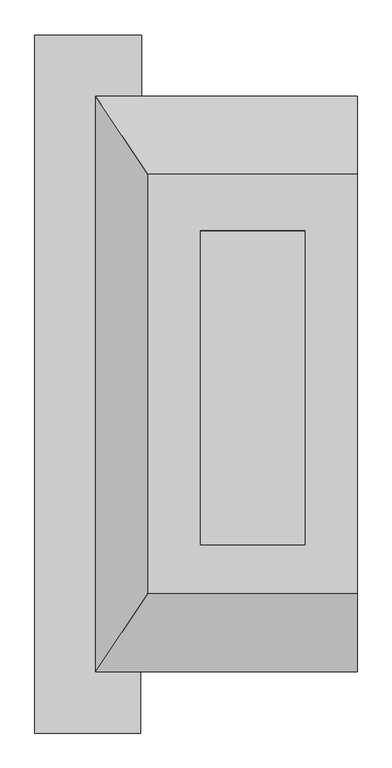
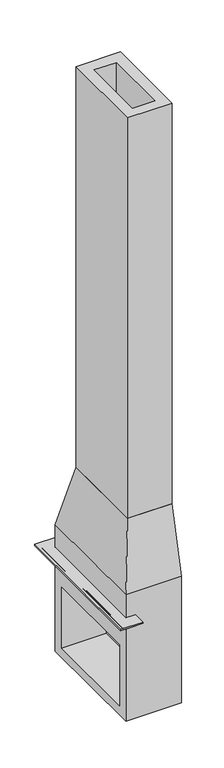
"""IFC4 building model written with IfcOpenShell, lengths in millimetres: proxy geometry."""

import ifcopenshell
import ifcopenshell.guid

model = None  # the IFC model being written
_history = None  # IfcOwnerHistory: only IFC2X3 demands one
_inside = {}  # id of a spatial element -> (the spatial element, [elements in it])
_under = {}  # id of a project, library or spatial element -> (it, [spatial elements below it])
_declared = {}  # id of a project -> (the project, [libraries it declares])
_typed = {}  # id of a type object -> (the type object, [elements of that type])
_made_of = {}  # id of a material, layer set ... -> (it, [elements and type objects made of it])


def new_model(schema):
    """Start an empty IFC model of exactly this schema.

    Asked for "IFC4X3", IfcOpenShell would pick the latest addendum, in which some entities
    have other attributes; the version numbers below select the first issue.
    IFC2X3 requires an IfcOwnerHistory on every rooted entity: one is made here for all.
    """
    global model, _history
    if schema == "IFC4X3":
        model = ifcopenshell.file(schema_version=(4, 3, 0, 0))
    else:
        model = ifcopenshell.file(schema=schema)
    _inside.clear()
    _under.clear()
    _declared.clear()
    _typed.clear()
    _made_of.clear()
    _history = None
    if model.schema == "IFC2X3":
        org = make("IfcOrganization", Name="unknown")
        user = make(
            "IfcPersonAndOrganization",
            ThePerson=make("IfcPerson", FamilyName="unknown"),
            TheOrganization=org,
        )
        app = make(
            "IfcApplication",
            ApplicationDeveloper=org,
            Version="unknown",
            ApplicationFullName="unknown",
            ApplicationIdentifier="unknown",
        )
        _history = make(
            "IfcOwnerHistory",
            OwningUser=user,
            OwningApplication=app,
            ChangeAction="ADDED",
            CreationDate=0,
        )
    return model


def make(cls, **values):
    """One entity of the class cls with the attributes given. An attribute that is None is left unset."""
    return model.create_entity(
        cls, **{name: value for name, value in values.items() if value is not None}
    )


def rooted(cls, **values):
    """An entity with a GlobalId (a new one), such as an element, a storey or a relation."""
    return make(cls, GlobalId=ifcopenshell.guid.new(), OwnerHistory=_history, **values)


def si_unit(unit_type, name, prefix=None):
    """IfcSIUnit, for example si_unit("LENGTHUNIT", "METRE", prefix="MILLI")."""
    return make("IfcSIUnit", UnitType=unit_type, Prefix=prefix, Name=name)


def assignment(units):
    """IfcUnitAssignment: the units of a project."""
    return None if units is None else make("IfcUnitAssignment", Units=units)


def point(xyz):
    """IfcCartesianPoint."""
    return None if xyz is None else make("IfcCartesianPoint", Coordinates=xyz)


def direction(xyz):
    """IfcDirection."""
    return None if xyz is None else make("IfcDirection", DirectionRatios=xyz)


def frame(location, z_axis=None, x_axis=None):
    """IfcAxis2Placement3D, a coordinate frame: its origin and axes. An axis left out is left unset."""
    return make(
        "IfcAxis2Placement3D",
        Location=point(location),
        Axis=direction(z_axis),
        RefDirection=direction(x_axis),
    )


def origin():
    """The frame at (0, 0, 0) with its axes left unset."""
    return frame((0.0, 0.0, 0.0))


def place(relative_to, where):
    """IfcLocalPlacement: puts the frame where relative to a parent placement (None: the world)."""
    return make(
        "IfcLocalPlacement", PlacementRelTo=relative_to, RelativePlacement=where
    )


def context(
    kind, dimensions, precision=None, world=None, true_north=None, identifier=None
):
    """IfcGeometricRepresentationContext, for example the 3D "Model" context."""
    return make(
        "IfcGeometricRepresentationContext",
        ContextIdentifier=identifier,
        ContextType=kind,
        CoordinateSpaceDimension=dimensions,
        Precision=precision,
        WorldCoordinateSystem=world,
        TrueNorth=true_north,
    )


def project(units=None, contexts=None):
    """IfcProject with its units and contexts."""
    return rooted(
        "IfcProject",
        Name="project",
        RepresentationContexts=contexts,
        UnitsInContext=assignment(units),
    )


def spatial(cls, under=None, at=None, **own):
    """A site, building, storey or space (cls), placed at a placement, below another one or the project."""
    s = rooted(cls, ObjectPlacement=at, **own)
    if under is not None:
        _under.setdefault(under.id(), (under, []))[1].append(s)
    return s


def polyline(points):
    """IfcPolyline through the points."""
    return make("IfcPolyline", Points=[point(p) for p in points])


def circle_curve(where, radius):
    """IfcCircle in the frame where."""
    return make("IfcCircle", Position=where, Radius=radius)


def ellipse_curve(where, semi_axis1, semi_axis2):
    """IfcEllipse in the frame where."""
    return make(
        "IfcEllipse", Position=where, SemiAxis1=semi_axis1, SemiAxis2=semi_axis2
    )


def outline(outer, holes=None, kind="AREA"):
    """IfcArbitraryClosedProfileDef: a profile drawn as a closed curve; with holes, ...WithVoids."""
    if holes is None:
        return make("IfcArbitraryClosedProfileDef", ProfileType=kind, OuterCurve=outer)
    return make(
        "IfcArbitraryProfileDefWithVoids",
        ProfileType=kind,
        OuterCurve=outer,
        InnerCurves=holes,
    )


def extrude(swept, where, along, depth):
    """IfcExtrudedAreaSolid: the profile swept, set in the frame where, extruded along a direction by depth."""
    return make(
        "IfcExtrudedAreaSolid",
        SweptArea=swept,
        Position=where,
        ExtrudedDirection=direction(along),
        Depth=depth,
    )


def faces_of(points, faces, orient=None, outer=None):
    """IfcFace entities. A face is a list of loops; a loop is a list of indices into points, from 0.

    orient and outer hold one flag for each loop. By default every Orientation is true, the
    first loop of a face is its IfcFaceOuterBound and the others are IfcFaceBound.
    """
    made = []
    for i, loops in enumerate(faces):
        bounds = []
        for j, loop in enumerate(loops):
            is_outer = j == 0 if outer is None else outer[i][j]
            bounds.append(
                make(
                    "IfcFaceOuterBound" if is_outer else "IfcFaceBound",
                    Bound=make("IfcPolyLoop", Polygon=[points[k] for k in loop]),
                    Orientation=True if orient is None else orient[i][j],
                )
            )
        made.append(make("IfcFace", Bounds=bounds))
    return made


def faceted_brep(points, faces, orient=None, outer=None, voids=None):
    """IfcFacetedBrep: a solid bounded by flat faces; with voids (closed shells), ...WithVoids."""
    shared = [point(p) for p in points]
    hull = make("IfcClosedShell", CfsFaces=faces_of(shared, faces, orient, outer))
    if voids is None:
        return make("IfcFacetedBrep", Outer=hull)
    return make(
        "IfcFacetedBrepWithVoids",
        Outer=hull,
        Voids=[
            make(cls, CfsFaces=faces_of(shared, fs, o, b)) for cls, fs, o, b in voids
        ],
    )


def shape(context_of_items, identifier, shape_type, items):
    """IfcShapeRepresentation: the items that make up one representation, for example the "Body"."""
    return make(
        "IfcShapeRepresentation",
        ContextOfItems=context_of_items,
        RepresentationIdentifier=identifier,
        RepresentationType=shape_type,
        Items=items,
    )


def source(mapping_origin, context_of_items, identifier, shape_type, items):
    """IfcRepresentationMap: a shape defined once, which mapped items show again and again."""
    return make(
        "IfcRepresentationMap",
        MappingOrigin=mapping_origin,
        MappedRepresentation=shape(context_of_items, identifier, shape_type, items),
    )


def transform(
    local_origin,
    x_axis=None,
    y_axis=None,
    z_axis=None,
    scale=None,
    scale2=None,
    scale3=None,
    uniform=True,
):
    """IfcCartesianTransformationOperator3D, or its non-uniform kind. x_axis, y_axis, z_axis: its Axis1, 2, 3."""
    if uniform:
        return make(
            "IfcCartesianTransformationOperator3D",
            Axis1=direction(x_axis),
            Axis2=direction(y_axis),
            LocalOrigin=point(local_origin),
            Scale=scale,
            Axis3=direction(z_axis),
        )
    return make(
        "IfcCartesianTransformationOperator3DnonUniform",
        Axis1=direction(x_axis),
        Axis2=direction(y_axis),
        LocalOrigin=point(local_origin),
        Scale=scale,
        Axis3=direction(z_axis),
        Scale2=scale2,
        Scale3=scale3,
    )


def mapped(mapping_source, mapping_target):
    """IfcMappedItem: shows the shape of a source again, moved by a transform."""
    return make(
        "IfcMappedItem", MappingSource=mapping_source, MappingTarget=mapping_target
    )


def made_of(thing, what):
    """Note that an element or type object is made of a material, layer set ...; save() writes the relation."""
    if what is not None:
        _made_of.setdefault(what.id(), (what, []))[1].append(thing)
    return thing


def element(
    cls,
    number,
    at=None,
    inside=None,
    cuts=None,
    type_object=None,
    material=None,
    context=None,
    identifier="Body",
    shape_type=None,
    held_by="IfcProductDefinitionShape",
    body=None,
    shapes=None,
    **own,
):
    """One element of the class cls, such as IfcWall. Its Tag is "e" and its number.

    at: its placement. inside: the storey or other place that contains it. cuts: it is an
    opening in that element (IfcRelVoidsElement). A single representation is given by context,
    identifier, shape_type and body (its items); several are given by shapes. held_by: the class
    of the entity that holds the representations. save() writes the other relations.
    """
    e = rooted(cls, Tag="e%d" % number, ObjectPlacement=at, **own)
    if body is not None:
        shapes = [shape(context, identifier, shape_type, body)]
    if shapes is not None:
        e.Representation = make(held_by, Representations=shapes)
    if inside is not None:
        _inside.setdefault(inside.id(), (inside, []))[1].append(e)
    if cuts is not None:
        rooted(
            "IfcRelVoidsElement", RelatingBuildingElement=cuts, RelatedOpeningElement=e
        )
    if type_object is not None:
        _typed.setdefault(type_object.id(), (type_object, []))[1].append(e)
    return made_of(e, material)


def aggregate(whole, parts):
    """IfcRelAggregates: a whole, such as a stair, and the parts it consists of."""
    return rooted("IfcRelAggregates", RelatingObject=whole, RelatedObjects=parts)


def save(model, path):
    """Write the relations noted so far, then the file.

    IfcRelAggregates (storeys below a building ...), IfcRelContainedInSpatialStructure (elements
    in a storey), IfcRelDefinesByType, IfcRelAssociatesMaterial and IfcRelDeclares: one each for
    every whole, place, type object, material and project.
    """
    for whole, parts in _under.values():
        aggregate(whole, parts)
    for where, things in _inside.values():
        rooted(
            "IfcRelContainedInSpatialStructure",
            RelatedElements=things,
            RelatingStructure=where,
        )
    for kind, things in _typed.values():
        rooted("IfcRelDefinesByType", RelatedObjects=things, RelatingType=kind)
    for what, things in _made_of.values():
        rooted("IfcRelAssociatesMaterial", RelatedObjects=things, RelatingMaterial=what)
    for by, libraries in _declared.values():
        rooted("IfcRelDeclares", RelatingContext=by, RelatedDefinitions=libraries)
    model.write(path)


def plane_surface(at):
    """IfcPlane: the flat surface through the origin of the frame at, square to its z axis."""
    return make("IfcPlane", Position=at)


def cylinder_surface(at, radius):
    """IfcCylindricalSurface: all points at the distance radius from the z axis of the frame at."""
    return make("IfcCylindricalSurface", Position=at, Radius=radius)


def revolved_surface(curve, axis_point, axis_direction):
    """IfcSurfaceOfRevolution: the curve turned about the line through axis_point along axis_direction."""
    return make(
        "IfcSurfaceOfRevolution",
        SweptCurve=make("IfcArbitraryOpenProfileDef", ProfileType="CURVE", Curve=curve),
        AxisPosition=make("IfcAxis1Placement", Location=point(axis_point), Axis=direction(axis_direction)),
    )


def advanced_brep(points, edges, surfaces, faces):
    """IfcAdvancedBrep: a solid bounded by faces that lie on surfaces and meet in shared edges.

    An edge is (start, end): straight between two places in points (the first is 0);
    or (start, end, curve); or (start, end, curve, False) where it runs against its curve.
    A face is (place in surfaces, loops), or (place, loops, False) where it looks against
    its surface's normal. A loop lists edges by number (the first is 1), with a minus sign
    where the edge is run from its end to its start. The first loop is the outer one.
    """
    corners = [point(p) for p in points]
    vertices = [make("IfcVertexPoint", VertexGeometry=c) for c in corners]
    made = []
    for start, end, *more in edges:
        made.append(
            make(
                "IfcEdgeCurve",
                EdgeStart=vertices[start],
                EdgeEnd=vertices[end],
                EdgeGeometry=more[0] if more else make("IfcPolyline", Points=[corners[start], corners[end]]),
                SameSense=more[1] if len(more) > 1 else True,
            )
        )
    hull = []
    for where, loops, *sense in faces:
        bounds = []
        for j, loop in enumerate(loops):
            ring = [make("IfcOrientedEdge", EdgeElement=made[abs(k) - 1], Orientation=k > 0) for k in loop]
            bounds.append(
                make(
                    "IfcFaceOuterBound" if j == 0 else "IfcFaceBound",
                    Bound=make("IfcEdgeLoop", EdgeList=ring),
                    Orientation=True,
                )
            )
        hull.append(make("IfcAdvancedFace", Bounds=bounds, FaceSurface=surfaces[where], SameSense=sense[0] if sense else True))
    return make("IfcAdvancedBrep", Outer=make("IfcClosedShell", CfsFaces=hull))


def generic_models_27b8ddad(model_context):
    return source(origin(), model_context, "Body", "SolidModel", [
        advanced_brep(
        [(-2506.7303232, -7862.8871349, 1498.6), (-2506.7303232, -8040.6871349, 1498.6), (-2506.7303232, -8040.6871349, 1479.55), (-2506.7303232, -8021.6371349, 1479.55), (-2506.7303232, -7996.8205925, 1473.7834576), (-2506.7303232, -7978.8600803, 1455.8229454), (-2506.7303232, -7924.9785436, 1401.9414087), (-2506.7303232, -7875.5871349, 1352.55), (-2506.7303232, -7875.5871349, 1346.2), (-2506.7303232, -7862.8871349, 1346.2), (-2636.7416828, -7862.8871349, 1498.6), (-2636.7416828, -6186.4871349, 1498.6), (-2503.3916828, -6186.4871349, 1498.6), (-2503.3916828, -6008.6871349, 1498.6), (-2814.5416828, -6008.6871349, 1498.6), (-2814.5416828, -8040.6871349, 1498.6), (-2814.5416828, -8040.6871349, 1479.55), (-2814.5416828, -6008.6871349, 1479.55), (-2503.3916828, -6008.6871349, 1479.55), (-2503.3916828, -6027.7371349, 1479.55), (-2795.4916828, -6027.7371349, 1479.55), (-2795.4916828, -8021.6371349, 1479.55), (-2770.6751404, -7996.8205925, 1473.7834576), (-2752.7146282, -7978.8600803, 1455.8229454), (-2698.8330914, -7924.9785436, 1401.9414087), (-2649.4416828, -7875.5871349, 1352.55), (-2649.4416828, -7875.5871349, 1346.2), (-2649.4416828, -6173.7871349, 1346.2), (-2503.3916828, -6173.7871349, 1346.2), (-2503.3916828, -6186.4871349, 1346.2), (-2636.7416828, -6186.4871349, 1346.2), (-2636.7416828, -7862.8871349, 1346.2), (-2770.6751404, -6052.5536773, 1473.7834576), (-2752.7146282, -6070.5141895, 1455.8229454), (-2698.8330914, -6124.3957262, 1401.9414087), (-2649.4416828, -6173.7871349, 1352.55), (-2503.3916828, -6173.7871349, 1352.55), (-2503.3916828, -6124.3957262, 1401.9414087), (-2503.3916828, -6070.5141895, 1455.8229454), (-2503.3916828, -6052.5536773, 1473.7834576)],
        [
            (0, 1),
            (1, 2),
            (2, 3),
            (3, 4, circle_curve(frame((-2506.7303232, -7995.4510309, 1535.9601753), z_axis=(1.0, 0.0, 0.0), x_axis=(0.0, -1.0, 0.0)), 62.1917995)),
            (4, 5, circle_curve(frame((-2506.7303232, -8019.434443, 1433.209095), z_axis=(-1.0, 0.0, 0.0), x_axis=(0.0, -1.0, 0.0)), 46.4506742)),
            (5, 6, circle_curve(frame((-2506.7303232, -7857.1369923, 1523.6644966), z_axis=(1.0, 0.0, 0.0), x_axis=(0.0, -1.0, 0.0)), 139.3520227)),
            (6, 7, circle_curve(frame((-2506.7303232, -7815.5604024, 1461.9681412), z_axis=(1.0, 0.0, 0.0), x_axis=(0.0, -1.0, 0.0)), 124.8019961)),
            (7, 8),
            (8, 9),
            (9, 0),
            (0, 10),
            (10, 11),
            (11, 12),
            (12, 13),
            (13, 14),
            (14, 15),
            (15, 1),
            (15, 16),
            (16, 2),
            (16, 17),
            (17, 18),
            (18, 19),
            (19, 20),
            (20, 21),
            (21, 3),
            (21, 22, ellipse_curve(frame((-2769.3055788, -7995.4510309, 1535.9601753), z_axis=(0.7071067811865448, -0.7071067811865503, 0.0), x_axis=(0.7071067811865502, 0.7071067811865449, 0.0)), 87.9524863, 62.1917995)),
            (22, 4),
            (22, 23, ellipse_curve(frame((-2793.2889908, -8019.434443, 1433.209095), z_axis=(-0.7071067811865448, 0.7071067811865503, 0.0), x_axis=(-0.7071067811865502, -0.7071067811865449, 0.0)), 65.6911735, 46.4506742)),
            (23, 5),
            (23, 24, ellipse_curve(frame((-2630.9915402, -7857.1369923, 1523.6644966), z_axis=(0.7071067811865448, -0.7071067811865503, 0.0), x_axis=(0.7071067811865502, 0.7071067811865449, 0.0)), 197.0735204, 139.3520227)),
            (24, 6),
            (24, 25, ellipse_curve(frame((-2589.4149503, -7815.5604024, 1461.9681412), z_axis=(0.7071067811865448, -0.7071067811865503, 0.0), x_axis=(0.7071067811865502, 0.7071067811865449, 0.0)), 176.4966755, 124.8019961)),
            (25, 7),
            (25, 26),
            (26, 8),
            (26, 27),
            (27, 28),
            (28, 29),
            (29, 30),
            (30, 31),
            (31, 9),
            (31, 10),
            (14, 17),
            (20, 32, ellipse_curve(frame((-2769.3055788, -6053.9232389, 1535.9601753), z_axis=(-0.7071067811865503, -0.7071067811865447, 0.0), x_axis=(0.7071067811865446, -0.7071067811865503, 0.0)), 87.9524863, 62.1917995)),
            (32, 22),
            (32, 33, ellipse_curve(frame((-2793.2889908, -6029.9398269, 1433.209095), z_axis=(0.7071067811865503, 0.7071067811865447, 0.0), x_axis=(-0.7071067811865446, 0.7071067811865503, 0.0)), 65.6911735, 46.4506742)),
            (33, 23),
            (33, 34, ellipse_curve(frame((-2630.9915402, -6192.2372775, 1523.6644966), z_axis=(-0.7071067811865503, -0.7071067811865447, 0.0), x_axis=(0.7071067811865446, -0.7071067811865503, 0.0)), 197.0735204, 139.3520227)),
            (34, 24),
            (34, 35, ellipse_curve(frame((-2589.4149503, -6233.8138674, 1461.9681412), z_axis=(-0.7071067811865503, -0.7071067811865447, 0.0), x_axis=(0.7071067811865446, -0.7071067811865503, 0.0)), 176.4966755, 124.8019961)),
            (35, 25),
            (35, 27),
            (30, 11),
            (12, 29),
            (28, 36),
            (36, 37, circle_curve(frame((-2503.3916828, -6233.8138674, 1461.9681412), z_axis=(1.0, 0.0, 0.0), x_axis=(0.0, 1.0, 0.0)), 124.8019961)),
            (37, 38, circle_curve(frame((-2503.3916828, -6192.2372775, 1523.6644966), z_axis=(1.0, 0.0, 0.0), x_axis=(0.0, 1.0, 0.0)), 139.3520227)),
            (38, 39, circle_curve(frame((-2503.3916828, -6029.9398269, 1433.209095), z_axis=(-1.0, 0.0, 0.0), x_axis=(0.0, 1.0, 0.0)), 46.4506742)),
            (39, 19, circle_curve(frame((-2503.3916828, -6053.9232389, 1535.9601753), z_axis=(1.0, 0.0, 0.0), x_axis=(0.0, 1.0, 0.0)), 62.1917995)),
            (18, 13),
            (39, 32),
            (38, 33),
            (37, 34),
            (36, 35),
        ],
        [
            plane_surface(frame((-2506.7303232, -7862.8871349, 0.0), z_axis=(1.0, 0.0, 0.0), x_axis=(0.0, 0.0, 1.0))),
            plane_surface(frame((-2506.7303232, -7862.8871349, 1498.6), z_axis=(0.0, 0.0, 1.0), x_axis=(-1.0, 0.0, 0.0))),
            plane_surface(frame((-2506.7303232, -8040.6871349, 1498.6), z_axis=(0.0, -1.0, 0.0), x_axis=(-1.0, 0.0, 0.0))),
            plane_surface(frame((-2506.7303232, -8040.6871349, 1479.55), z_axis=(0.0, 0.0, -1.0), x_axis=(-1.0, 0.0, 0.0))),
            cylinder_surface(frame((-2506.7303232, -7995.4510309, 1535.9601753), z_axis=(1.0, 0.0, 0.0), x_axis=(0.0, -1.0, 0.0)), 62.1917995),
            revolved_surface(polyline([(-2839.7396650459523, -8065.8851172, 1433.209095), (-2506.7303232, -8065.8851172, 1433.209095)]), (-2506.7303232, -8019.434443, 1433.209095), (-1.0, 0.0, 0.0)),
            cylinder_surface(frame((-2506.7303232, -7857.1369923, 1523.6644966), z_axis=(1.0, 0.0, 0.0), x_axis=(0.0, -1.0, 0.0)), 139.3520227),
            cylinder_surface(frame((-2506.7303232, -7815.5604024, 1461.9681412), z_axis=(1.0, 0.0, 0.0), x_axis=(0.0, -1.0, 0.0)), 124.8019961),
            plane_surface(frame((-2506.7303232, -7875.5871349, 1352.55), z_axis=(0.0, -1.0, 0.0), x_axis=(-1.0, 0.0, 0.0))),
            plane_surface(frame((-2506.7303232, -7875.5871349, 1346.2), z_axis=(0.0, 0.0, -1.0), x_axis=(-1.0, 0.0, 0.0))),
            plane_surface(frame((-2506.7303232, -7862.8871349, 1346.2), z_axis=(0.0, 1.0, 0.0), x_axis=(-1.0, 0.0, 0.0))),
            plane_surface(frame((-2814.5416828, -8040.6871349, 1498.6), z_axis=(-1.0, 0.0, 0.0), x_axis=(0.0, 1.0, 0.0))),
            cylinder_surface(frame((-2769.3055788, -7862.8871349, 1535.9601753), z_axis=(0.0, -1.0, 0.0), x_axis=(-1.0, 0.0, 0.0)), 62.1917995),
            revolved_surface(polyline([(-2839.739665, -5983.489152654048, 1433.209095), (-2839.739665, -8065.885117245952, 1433.209095)]), (-2793.2889908, -7862.8871349, 1433.209095), (0.0, 1.0, 0.0)),
            cylinder_surface(frame((-2630.9915402, -7862.8871349, 1523.6644966), z_axis=(0.0, -1.0, 0.0), x_axis=(-1.0, 0.0, 0.0)), 139.3520227),
            cylinder_surface(frame((-2589.4149503, -7862.8871349, 1461.9681412), z_axis=(0.0, -1.0, 0.0), x_axis=(-1.0, 0.0, 0.0)), 124.8019961),
            plane_surface(frame((-2649.4416828, -7875.5871349, 1352.55), z_axis=(-1.0, 0.0, 0.0), x_axis=(0.0, 1.0, 0.0))),
            plane_surface(frame((-2636.7416828, -7862.8871349, 1346.2), z_axis=(1.0, 0.0, 0.0), x_axis=(0.0, 1.0, 0.0))),
            plane_surface(frame((-2503.3916828, -6186.4871349, 0.0), z_axis=(1.0, 0.0, 0.0), x_axis=(0.0, 0.0, 1.0))),
            plane_surface(frame((-2814.5416828, -6008.6871349, 1498.6), z_axis=(0.0, 1.0, 0.0), x_axis=(1.0, 0.0, 0.0))),
            cylinder_surface(frame((-2636.7416828, -6053.9232389, 1535.9601753), z_axis=(-1.0, 0.0, 0.0), x_axis=(0.0, 1.0, 0.0)), 62.1917995),
            revolved_surface(polyline([(-2503.3916828, -5983.4891527, 1433.209095), (-2839.739665045952, -5983.4891527, 1433.209095)]), (-2636.7416828, -6029.9398269, 1433.209095), (1.0, 0.0, 0.0)),
            cylinder_surface(frame((-2636.7416828, -6192.2372775, 1523.6644966), z_axis=(-1.0, 0.0, 0.0), x_axis=(0.0, 1.0, 0.0)), 139.3520227),
            cylinder_surface(frame((-2636.7416828, -6233.8138674, 1461.9681412), z_axis=(-1.0, 0.0, 0.0), x_axis=(0.0, 1.0, 0.0)), 124.8019961),
            plane_surface(frame((-2649.4416828, -6173.7871349, 1352.55), z_axis=(0.0, 1.0, 0.0), x_axis=(1.0, 0.0, 0.0))),
            plane_surface(frame((-2636.7416828, -6186.4871349, 1346.2), z_axis=(0.0, -1.0, 0.0), x_axis=(1.0, 0.0, 0.0))),
        ],
        [
            (0, [[1, 2, 3, 4, 5, 6, 7, 8, 9, 10]]),
            (1, [[-1, 11, 12, 13, 14, 15, 16, 17]]),
            (2, [[-2, -17, 18, 19]]),
            (3, [[-3, -19, 20, 21, 22, 23, 24, 25]]),
            (4, [[-4, -25, 26, 27]]),
            (5, [[-5, -27, 28, 29]]),
            (6, [[-6, -29, 30, 31]]),
            (7, [[-7, -31, 32, 33]]),
            (8, [[-8, -33, 34, 35]]),
            (9, [[-9, -35, 36, 37, 38, 39, 40, 41]]),
            (10, [[-10, -41, 42, -11]]),
            (11, [[-18, -16, 43, -20]]),
            (12, [[-26, -24, 44, 45]]),
            (13, [[-28, -45, 46, 47]]),
            (14, [[-30, -47, 48, 49]]),
            (15, [[-32, -49, 50, 51]]),
            (16, [[-34, -51, 52, -36]]),
            (17, [[-42, -40, 53, -12]]),
            (18, [[54, -38, 55, 56, 57, 58, 59, -22, 60, -14]]),
            (19, [[-43, -15, -60, -21]]),
            (20, [[-44, -23, -59, 61]]),
            (21, [[-46, -61, -58, 62]]),
            (22, [[-48, -62, -57, 63]]),
            (23, [[-50, -63, -56, 64]]),
            (24, [[-52, -64, -55, -37]]),
            (25, [[-53, -39, -54, -13]]),
        ],
    ),
        extrude(outline(polyline([(-1874.7416828, -6415.0871349), (-1874.7416828, -7634.2871349), (-2484.3416828, -7634.2871349), (-2484.3416828, -6415.0871349), (-1874.7416828, -6415.0871349)]), holes=[polyline([(-2027.1416828, -6579.1475622), (-2331.9416828, -6579.1475622), (-2331.9416828, -7493.0444916), (-2027.1416828, -7493.0444916), (-2027.1416828, -6579.1475622)])]), frame((0.0, 0.0, 2743.2), z_axis=(0.0, 0.0, 1.0), x_axis=(1.0, 0.0, 0.0)), (0.0, 0.0, 1.0), 5792.3628517),
        faceted_brep([(-1874.7416828, -6186.4871349, 0.0), (-1874.7416828, -7862.8871349, 0.0), (-2636.7416828, -7862.8871349, 0.0), (-2636.7416828, -6186.4871349, 0.0), (-2636.7416828, -6186.4871349, 1828.8), (-1874.7416828, -6186.4871349, 1828.8), (-2636.7416828, -7862.8871349, 1828.8), (-2636.7416828, -7710.4871349, 135.4836), (-2636.7416828, -6338.8871349, 135.4836), (-2636.7416828, -6338.8871349, 1016.127), (-2636.7416828, -7710.4871349, 1016.127), (-1874.7416828, -7862.8871349, 1828.8), (-1874.7416828, -6415.0871349, 2743.2), (-1874.7416828, -7634.2871349, 2743.2), (-2484.3416828, -6415.0871349, 2743.2), (-2484.3416828, -7634.2871349, 2743.2), (-2331.9416828, -6579.1475622, 2743.2), (-2027.1416828, -6579.1475622, 2743.2), (-2027.1416828, -7493.0444916, 2743.2), (-2331.9416828, -7493.0444916, 2743.2), (-2027.1416828, -7710.4871349, 135.4836), (-2027.1416828, -7710.4871349, 1016.127), (-2027.1416828, -7493.0444916, 1016.127), (-2027.1416828, -6579.1475622, 1016.127), (-2027.1416828, -6338.8871349, 1016.127), (-2027.1416828, -6338.8871349, 135.4836), (-2331.9416828, -6579.1475622, 1016.127), (-2331.9416828, -7493.0444916, 1016.127)], [[[0, 1, 2, 3]], [[0, 3, 4, 5]], [[3, 2, 6, 4], [7, 8, 9, 10]], [[2, 1, 11, 6]], [[1, 0, 5, 12, 13, 11]], [[12, 14, 15, 13], [16, 17, 18, 19]], [[14, 12, 5, 4]], [[15, 14, 4, 6]], [[13, 15, 6, 11]], [[20, 21, 22, 18, 17, 23, 24, 25]], [[20, 25, 8, 7]], [[25, 24, 9, 8]], [[9, 24, 23, 26, 27, 22, 21, 10]], [[21, 20, 7, 10]], [[23, 17, 16, 26]], [[26, 16, 19, 27]], [[27, 19, 18, 22]]]),
    ])


if __name__ == "__main__":
    model = new_model("IFC4")
    model_context = context("Model", 3, world=origin())
    ifc_project = project(units=[si_unit("LENGTHUNIT", "METRE", prefix="MILLI")], contexts=[model_context])
    site = spatial("IfcSite", under=ifc_project)
    building = spatial("IfcBuilding", under=site)
    placement = place(None, origin())
    generic_models_shape = generic_models_27b8ddad(model_context)
    element("IfcBuildingElementProxy", 1, Name="Generic Models", at=placement, inside=building, context=model_context, shape_type="MappedRepresentation", body=[
        mapped(generic_models_shape, transform((0.0, 0.0, 0.0), x_axis=(1.0, 0.0, 0.0), y_axis=(0.0, 1.0, 0.0), z_axis=(0.0, 0.0, 1.0))),
    ])
    save(model, "model.ifc")
